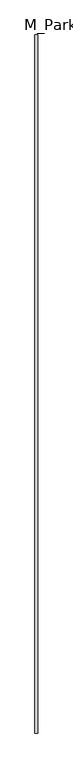
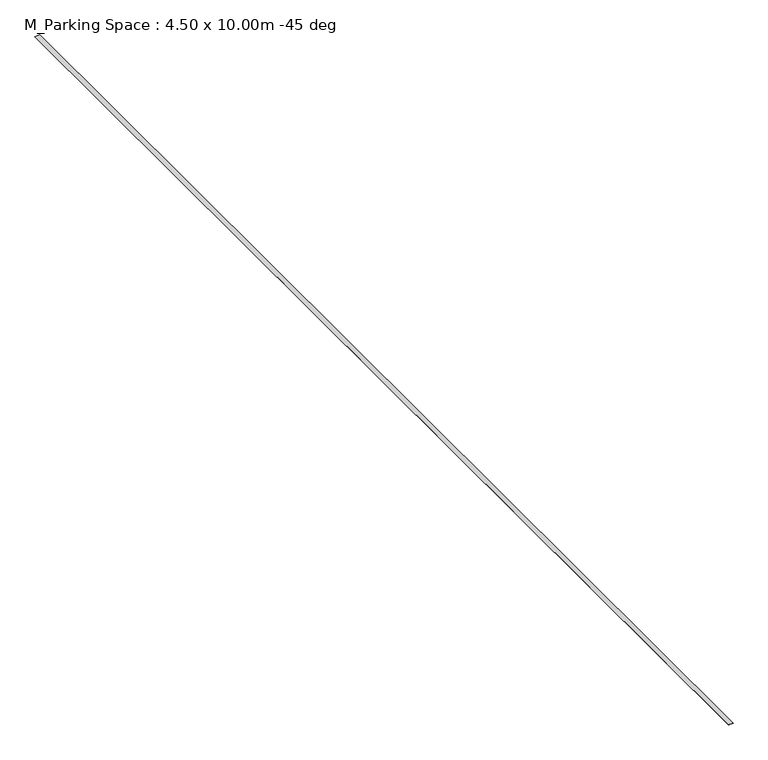
"""IFC4 building model written with IfcOpenShell, lengths in millimetres: proxy geometry, M_Parking Space : 4.50 x 10.00m -45 deg."""

from ifc_helpers import new_model, si_unit, origin, origin_with_axes, place, context, project, spatial, polyline, outline, extrude, source, transform, mapped, element, save


def m_parking_space_4_50_x_10_00m_45_deg_f2f42148(model_context):
    return source(origin(), model_context, "Body", "SweptSolid", [
        extrude(outline(polyline([(-50.8, 0.0), (50.8, 0.0), (50.8, -25000.0), (-50.8, -25000.0), (-50.8, 0.0)])), origin_with_axes(), (0.0, 0.0, 1.0), 3.175),
    ])


if __name__ == "__main__":
    model = new_model("IFC4")
    model_context = context("Model", 3, world=origin())
    ifc_project = project(units=[si_unit("LENGTHUNIT", "METRE", prefix="MILLI")], contexts=[model_context])
    site = spatial("IfcSite", under=ifc_project)
    building = spatial("IfcBuilding", under=site)
    placement = place(None, origin())
    m_parking_space_4_50_x_10_00m_45_deg_shape = m_parking_space_4_50_x_10_00m_45_deg_f2f42148(model_context)
    element("IfcBuildingElementProxy", 1, Name="M_Parking Space : 4.50 x 10.00m -45 deg", ObjectType="M_Parking Space : 4.50 x 10.00m -45 deg", at=placement, inside=building, context=model_context, shape_type="MappedRepresentation", body=[
        mapped(m_parking_space_4_50_x_10_00m_45_deg_shape, transform((0.0, 0.0, 0.0), x_axis=(1.0, 0.0, 0.0), y_axis=(0.0, 1.0, 0.0), z_axis=(0.0, 0.0, 1.0))),
    ])
    save(model, "model.ifc")
